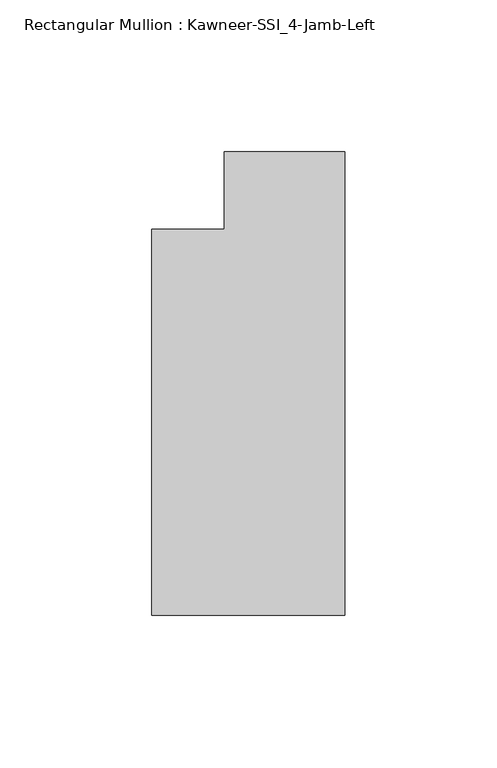
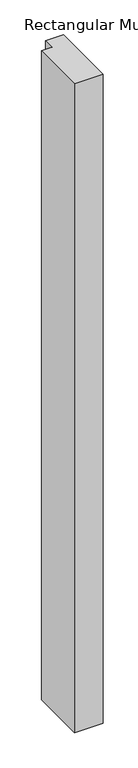
"""IFC4 building model written with IfcOpenShell, lengths in millimetres: member geometry, Rectangular Mullion : Kawneer-SSI_4-Jamb-Left."""

from ifc_helpers import new_model, si_unit, frame, origin, place, context, project, spatial, polyline, outline, extrude, source, transform, mapped, element, save


def rectangular_mullion_kawneer_ssi_4_jamb_left_ddd66263(model_context):
    return source(origin(), model_context, "Body", "SweptSolid", [
        extrude(outline(polyline([(0.0, -139.7), (-63.5, -139.7), (-63.5, -12.7), (-39.6875, -12.7), (-39.6875, 12.7), (0.0, 12.7), (0.0, -139.7)])), frame((0.0, 0.0, -1524.0), z_axis=(0.0, 0.0, 1.0), x_axis=(1.0, 0.0, 0.0)), (0.0, 0.0, 1.0), 1524.0),
    ])


if __name__ == "__main__":
    model = new_model("IFC4")
    model_context = context("Model", 3, world=origin())
    ifc_project = project(units=[si_unit("LENGTHUNIT", "METRE", prefix="MILLI")], contexts=[model_context])
    site = spatial("IfcSite", under=ifc_project)
    building = spatial("IfcBuilding", under=site)
    placement = place(None, origin())
    rectangular_mullion_kawneer_ssi_4_jamb_left_shape = rectangular_mullion_kawneer_ssi_4_jamb_left_ddd66263(model_context)
    element("IfcMember", 1, ObjectType="Rectangular Mullion : Kawneer-SSI_4-Jamb-Left", at=placement, inside=building, context=model_context, shape_type="MappedRepresentation", body=[
        mapped(rectangular_mullion_kawneer_ssi_4_jamb_left_shape, transform((0.0, 0.0, 0.0), x_axis=(1.0, 0.0, 0.0), y_axis=(0.0, 1.0, 0.0), z_axis=(0.0, 0.0, 1.0))),
    ])
    save(model, "model.ifc")
